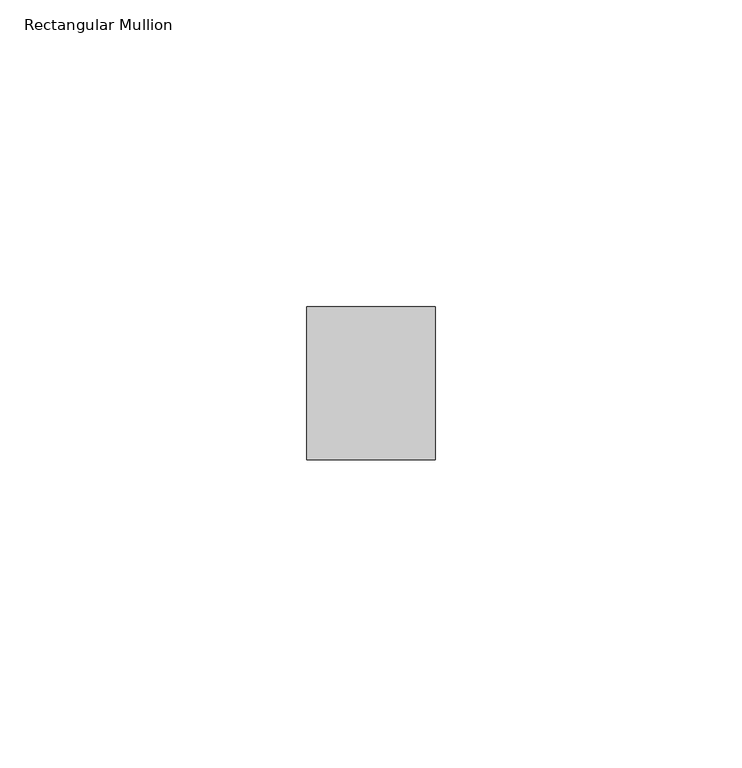
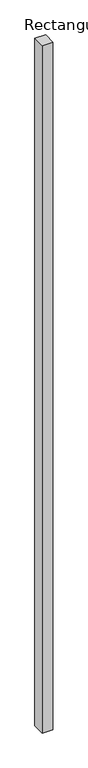
"""IFC4 building model written with IfcOpenShell, lengths in millimetres: member geometry, Rectangular Mullion."""

from ifc_helpers import new_model, si_unit, frame, origin, place, context, project, spatial, polyline, outline, extrude, source, transform, mapped, element, save


def rectangular_mullion_5842c06e(model_context):
    return source(origin(), model_context, "Body", "SweptSolid", [
        extrude(outline(polyline([(0.0, 12.5), (0.0, -12.5), (-21.0, -12.5), (-21.0, 12.5), (0.0, 12.5)])), frame((0.0, 0.0, -1425.0000002), z_axis=(0.0, 0.0, 1.0), x_axis=(1.0, 0.0, 0.0)), (0.0, 0.0, 1.0), 1425.0000002),
    ])


if __name__ == "__main__":
    model = new_model("IFC4")
    model_context = context("Model", 3, world=origin())
    ifc_project = project(units=[si_unit("LENGTHUNIT", "METRE", prefix="MILLI")], contexts=[model_context])
    site = spatial("IfcSite", under=ifc_project)
    building = spatial("IfcBuilding", under=site)
    placement = place(None, origin())
    rectangular_mullion_shape = rectangular_mullion_5842c06e(model_context)
    element("IfcMember", 1, ObjectType="Rectangular Mullion", at=placement, inside=building, context=model_context, shape_type="MappedRepresentation", body=[
        mapped(rectangular_mullion_shape, transform((0.0, 0.0, 0.0), x_axis=(1.0, 0.0, 0.0), y_axis=(0.0, 1.0, 0.0), z_axis=(0.0, 0.0, 1.0))),
    ])
    save(model, "model.ifc")
